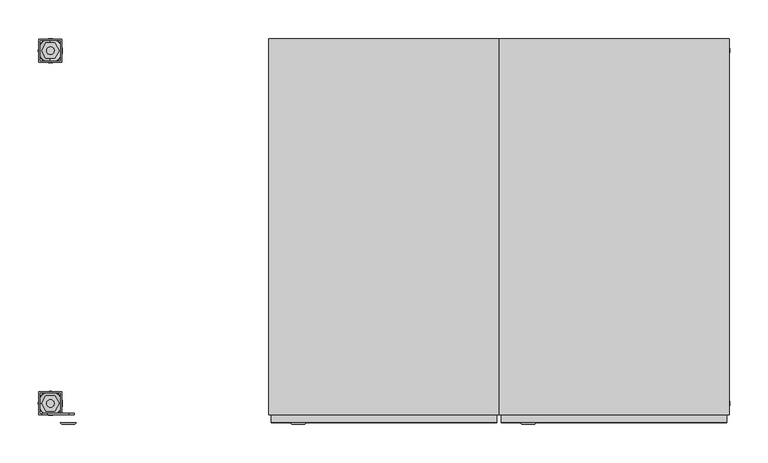
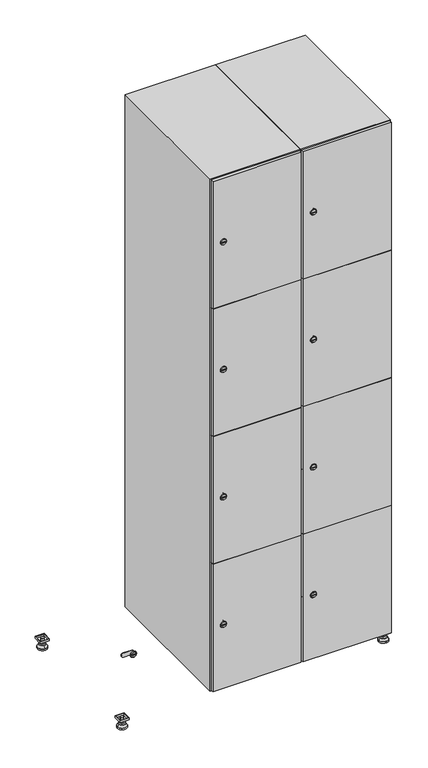
"""IFC4 building model written with IfcOpenShell, lengths in millimetres: furniture geometry."""

from ifc_helpers import new_model, si_unit, point, frame, frame_2d, origin, origin_with_axes, place, context, project, spatial, polyline, circle_curve, trimmed, segment, composite_curve, outline, extrude, faceted_brep, source, transform, mapped, element, save
from ifc_brep_helpers import plane_surface, revolved_surface, advanced_brep


def furniture_39c8202d(model_context):
    return source(origin(), model_context, "Body", "SolidModel", [
        extrude(outline(polyline([(700.0, 245.0), (700.0, 215.0), (670.0, 215.0), (670.0, 245.0), (700.0, 245.0)]), holes=[polyline([(698.0, 243.0), (672.0, 243.0), (672.0, 217.0), (698.0, 217.0), (698.0, 243.0)])]), frame((0.0, 0.0, 28.5), z_axis=(0.0, 0.0, 1.0), x_axis=(1.0, 0.0, 0.0)), (0.0, 0.0, 1.0), 6.5),
        extrude(outline(polyline([(670.0, -245.0), (670.0, -215.0), (700.0, -215.0), (700.0, -245.0), (670.0, -245.0)]), holes=[polyline([(672.0, -243.0), (698.0, -243.0), (698.0, -217.0), (672.0, -217.0), (672.0, -243.0)])]), frame((0.0, 0.0, 28.5), z_axis=(0.0, 0.0, 1.0), x_axis=(1.0, 0.0, 0.0)), (0.0, 0.0, 1.0), 6.5),
        extrude(outline(polyline([(-170.0, 245.0), (-170.0, 215.0), (-200.0, 215.0), (-200.0, 245.0), (-170.0, 245.0)]), holes=[polyline([(-172.0, 243.0), (-198.0, 243.0), (-198.0, 217.0), (-172.0, 217.0), (-172.0, 243.0)])]), frame((0.0, 0.0, 28.5), z_axis=(0.0, 0.0, 1.0), x_axis=(1.0, 0.0, 0.0)), (0.0, 0.0, 1.0), 6.5),
        extrude(outline(polyline([(-170.0, -215.0), (-170.0, -245.0), (-200.0, -245.0), (-200.0, -215.0), (-170.0, -215.0)]), holes=[polyline([(-198.0, -243.0), (-172.0, -243.0), (-172.0, -217.0), (-198.0, -217.0), (-198.0, -243.0)])]), frame((0.0, 0.0, 28.5), z_axis=(0.0, 0.0, 1.0), x_axis=(1.0, 0.0, 0.0)), (0.0, 0.0, 1.0), 6.5),
        extrude(outline(composite_curve([segment(trimmed(circle_curve(frame_2d((-185.0, 230.0)), 5.0), [point((-180.0, 230.0))], [point((-190.0, 230.0))], False, "CARTESIAN"), True, "CONTINUOUS"), segment(trimmed(circle_curve(frame_2d((-185.0, 230.0)), 5.0), [point((-190.0, 230.0))], [point((-180.0, 230.0))], False, "CARTESIAN"), True, "CONTINUOUS")], self_intersect=False)), frame((0.0, 0.0, 19.6), z_axis=(0.0, 0.0, 1.0), x_axis=(1.0, 0.0, 0.0)), (0.0, 0.0, 1.0), 15.4),
        extrude(outline(composite_curve([segment(trimmed(circle_curve(frame_2d((-185.0, -230.0)), 5.0), [point((-180.0, -230.0))], [point((-190.0, -230.0))], False, "CARTESIAN"), True, "CONTINUOUS"), segment(trimmed(circle_curve(frame_2d((-185.0, -230.0)), 5.0), [point((-190.0, -230.0))], [point((-180.0, -230.0))], False, "CARTESIAN"), True, "CONTINUOUS")], self_intersect=False)), frame((0.0, 0.0, 19.6), z_axis=(0.0, 0.0, 1.0), x_axis=(1.0, 0.0, 0.0)), (0.0, 0.0, 1.0), 15.4),
        extrude(outline(composite_curve([segment(trimmed(circle_curve(frame_2d((685.0, 230.0)), 5.0), [point((690.0, 230.0))], [point((680.0, 230.0))], False, "CARTESIAN"), True, "CONTINUOUS"), segment(trimmed(circle_curve(frame_2d((685.0, 230.0)), 5.0), [point((680.0, 230.0))], [point((690.0, 230.0))], False, "CARTESIAN"), True, "CONTINUOUS")], self_intersect=False)), frame((0.0, 0.0, 19.6), z_axis=(0.0, 0.0, 1.0), x_axis=(1.0, 0.0, 0.0)), (0.0, 0.0, 1.0), 15.4),
        extrude(outline(polyline([(673.4529946, 230.0), (679.2264973, 240.0), (690.7735027, 240.0), (696.5470054, 230.0), (690.7735027, 220.0), (679.2264973, 220.0), (673.4529946, 230.0)])), frame((0.0, 0.0, 13.6), z_axis=(0.0, 0.0, 1.0), x_axis=(1.0, 0.0, 0.0)), (0.0, 0.0, 1.0), 6.0),
        extrude(outline(composite_curve([segment(trimmed(circle_curve(frame_2d((685.0, -230.0)), 5.0), [point((690.0, -230.0))], [point((680.0, -230.0))], False, "CARTESIAN"), True, "CONTINUOUS"), segment(trimmed(circle_curve(frame_2d((685.0, -230.0)), 5.0), [point((680.0, -230.0))], [point((690.0, -230.0))], False, "CARTESIAN"), True, "CONTINUOUS")], self_intersect=False)), frame((0.0, 0.0, 19.6), z_axis=(0.0, 0.0, 1.0), x_axis=(1.0, 0.0, 0.0)), (0.0, 0.0, 1.0), 15.4),
        extrude(outline(polyline([(673.4529946, -230.0), (679.2264973, -220.0), (690.7735027, -220.0), (696.5470054, -230.0), (690.7735027, -240.0), (679.2264973, -240.0), (673.4529946, -230.0)])), frame((0.0, 0.0, 13.6), z_axis=(0.0, 0.0, 1.0), x_axis=(1.0, 0.0, 0.0)), (0.0, 0.0, 1.0), 6.0),
        extrude(outline(composite_curve([segment(trimmed(circle_curve(frame_2d((685.0, 230.0)), 5.0), [point((690.0, 230.0))], [point((680.0, 230.0))], False, "CARTESIAN"), True, "CONTINUOUS"), segment(trimmed(circle_curve(frame_2d((685.0, 230.0)), 5.0), [point((680.0, 230.0))], [point((690.0, 230.0))], False, "CARTESIAN"), True, "CONTINUOUS")], self_intersect=False)), frame((0.0, 0.0, 12.1), z_axis=(0.0, 0.0, 1.0), x_axis=(1.0, 0.0, 0.0)), (0.0, 0.0, 1.0), 1.5),
        extrude(outline(composite_curve([segment(trimmed(circle_curve(frame_2d((685.0, -230.0)), 5.0), [point((690.0, -230.0))], [point((680.0, -230.0))], False, "CARTESIAN"), True, "CONTINUOUS"), segment(trimmed(circle_curve(frame_2d((685.0, -230.0)), 5.0), [point((680.0, -230.0))], [point((690.0, -230.0))], False, "CARTESIAN"), True, "CONTINUOUS")], self_intersect=False)), frame((0.0, 0.0, 12.1), z_axis=(0.0, 0.0, 1.0), x_axis=(1.0, 0.0, 0.0)), (0.0, 0.0, 1.0), 1.5),
        extrude(outline(polyline([(-196.5470054, 230.0), (-190.7735027, 240.0), (-179.2264973, 240.0), (-173.4529946, 230.0), (-179.2264973, 220.0), (-190.7735027, 220.0), (-196.5470054, 230.0)])), frame((0.0, 0.0, 13.6), z_axis=(0.0, 0.0, 1.0), x_axis=(1.0, 0.0, 0.0)), (0.0, 0.0, 1.0), 6.0),
        extrude(outline(polyline([(-196.5470054, -230.0), (-190.7735027, -220.0), (-179.2264973, -220.0), (-173.4529946, -230.0), (-179.2264973, -240.0), (-190.7735027, -240.0), (-196.5470054, -230.0)])), frame((0.0, 0.0, 13.6), z_axis=(0.0, 0.0, 1.0), x_axis=(1.0, 0.0, 0.0)), (0.0, 0.0, 1.0), 6.0),
        extrude(outline(composite_curve([segment(trimmed(circle_curve(frame_2d((-185.0, 230.0)), 5.0), [point((-185.0, 235.0))], [point((-185.0, 225.0))], False, "CARTESIAN"), True, "CONTINUOUS"), segment(trimmed(circle_curve(frame_2d((-185.0, 230.0)), 5.0), [point((-185.0, 225.0))], [point((-185.0, 235.0))], False, "CARTESIAN"), True, "CONTINUOUS")], self_intersect=False)), frame((0.0, 0.0, 12.1), z_axis=(0.0, 0.0, 1.0), x_axis=(1.0, 0.0, 0.0)), (0.0, 0.0, 1.0), 1.5),
        extrude(outline(composite_curve([segment(trimmed(circle_curve(frame_2d((-185.0, -230.0)), 5.0), [point((-180.0, -230.0))], [point((-190.0, -230.0))], False, "CARTESIAN"), True, "CONTINUOUS"), segment(trimmed(circle_curve(frame_2d((-185.0, -230.0)), 5.0), [point((-190.0, -230.0))], [point((-180.0, -230.0))], False, "CARTESIAN"), True, "CONTINUOUS")], self_intersect=False)), frame((0.0, 0.0, 12.1), z_axis=(0.0, 0.0, 1.0), x_axis=(1.0, 0.0, 0.0)), (0.0, 0.0, 1.0), 1.5),
        extrude(outline(composite_curve([segment(trimmed(circle_curve(frame_2d((685.0, 230.0)), 15.75), [point((700.75, 230.0))], [point((669.25, 230.0))], False, "CARTESIAN"), True, "CONTINUOUS"), segment(trimmed(circle_curve(frame_2d((685.0, 230.0)), 15.75), [point((669.25, 230.0))], [point((700.75, 230.0))], False, "CARTESIAN"), True, "CONTINUOUS")], self_intersect=False)), origin_with_axes(), (0.0, 0.0, 1.0), 5.1),
        extrude(outline(composite_curve([segment(trimmed(circle_curve(frame_2d((685.0, -230.0)), 15.75), [point((685.0, -214.25))], [point((685.0, -245.75))], False, "CARTESIAN"), True, "CONTINUOUS"), segment(trimmed(circle_curve(frame_2d((685.0, -230.0)), 15.75), [point((685.0, -245.75))], [point((685.0, -214.25))], False, "CARTESIAN"), True, "CONTINUOUS")], self_intersect=False)), origin_with_axes(), (0.0, 0.0, 1.0), 5.1),
        extrude(outline(composite_curve([segment(trimmed(circle_curve(frame_2d((-185.0, -230.0)), 15.75), [point((-169.25, -230.0))], [point((-200.75, -230.0))], False, "CARTESIAN"), True, "CONTINUOUS"), segment(trimmed(circle_curve(frame_2d((-185.0, -230.0)), 15.75), [point((-200.75, -230.0))], [point((-169.25, -230.0))], False, "CARTESIAN"), True, "CONTINUOUS")], self_intersect=False)), origin_with_axes(), (0.0, 0.0, 1.0), 5.1),
        extrude(outline(composite_curve([segment(trimmed(circle_curve(frame_2d((-185.0, 230.0)), 15.75), [point((-169.25, 230.0))], [point((-200.75, 230.0))], False, "CARTESIAN"), True, "CONTINUOUS"), segment(trimmed(circle_curve(frame_2d((-185.0, 230.0)), 15.75), [point((-200.75, 230.0))], [point((-169.25, 230.0))], False, "CARTESIAN"), True, "CONTINUOUS")], self_intersect=False)), origin_with_axes(), (0.0, 0.0, 1.0), 5.1),
        advanced_brep(
        [(-185.0, 239.5, 12.1), (-185.0, 220.5, 12.1), (-185.0, 214.25, 5.1), (-185.0, 245.75, 5.1)],
        [
            (0, 1, circle_curve(frame((-185.0, 230.0, 12.1), z_axis=(0.0, 0.0, -1.0), x_axis=(0.0, 1.0, 0.0)), 9.5)),
            (1, 2),
            (2, 3, circle_curve(frame((-185.0, 230.0, 5.1), z_axis=(0.0, 0.0, 1.0), x_axis=(0.0, 1.0, 0.0)), 15.75)),
            (3, 0),
            (1, 0, circle_curve(frame((-185.0, 230.0, 12.1), z_axis=(0.0, 0.0, -1.0), x_axis=(0.0, -1.0, 0.0)), 9.5)),
            (3, 2, circle_curve(frame((-185.0, 230.0, 5.1), z_axis=(0.0, 0.0, 1.0), x_axis=(0.0, -1.0, 0.0)), 15.75)),
        ],
        [
            revolved_surface(polyline([(-185.0, 220.5, 12.099999999999998), (-185.0, 214.25, 5.099999999999998)]), (-185.0, 230.0, 22.74), (0.0, 0.0, -1.0)),
            revolved_surface(polyline([(-185.0, 239.5, 12.099999999999998), (-185.0, 245.75, 5.099999999999998)]), (-185.0, 230.0, 22.74), (0.0, 0.0, -1.0)),
            plane_surface(frame((-185.0, 230.0, 5.1), z_axis=(0.0, 0.0, -1.0), x_axis=(1.0, 0.0, 0.0))),
            plane_surface(frame((-185.0, 230.0, 12.1), z_axis=(0.0, 0.0, 1.0), x_axis=(1.0, 0.0, 0.0))),
        ],
        [
            (0, [[1, 2, 3, 4]]),
            (1, [[5, -4, 6, -2]]),
            (2, [[-3, -6]]),
            (3, [[-5, -1]]),
        ],
    ),
        advanced_brep(
        [(685.0, 239.5, 12.1), (685.0, 220.5, 12.1), (685.0, 214.25, 5.1), (685.0, 245.75, 5.1)],
        [
            (0, 1, circle_curve(frame((685.0, 230.0, 12.1), z_axis=(0.0, 0.0, -1.0), x_axis=(0.0, 1.0, 0.0)), 9.5)),
            (1, 2),
            (2, 3, circle_curve(frame((685.0, 230.0, 5.1), z_axis=(0.0, 0.0, 1.0), x_axis=(0.0, 1.0, 0.0)), 15.75)),
            (3, 0),
            (1, 0, circle_curve(frame((685.0, 230.0, 12.1), z_axis=(0.0, 0.0, -1.0), x_axis=(0.0, -1.0, 0.0)), 9.5)),
            (3, 2, circle_curve(frame((685.0, 230.0, 5.1), z_axis=(0.0, 0.0, 1.0), x_axis=(0.0, -1.0, 0.0)), 15.75)),
        ],
        [
            revolved_surface(polyline([(685.0, 220.5, 12.099999999999998), (685.0, 214.25, 5.099999999999998)]), (685.0, 230.0, 22.74), (0.0, 0.0, -1.0)),
            revolved_surface(polyline([(685.0, 239.5, 12.099999999999998), (685.0, 245.75, 5.099999999999998)]), (685.0, 230.0, 22.74), (0.0, 0.0, -1.0)),
            plane_surface(frame((685.0, 230.0, 5.1), z_axis=(0.0, 0.0, -1.0), x_axis=(1.0, 0.0, 0.0))),
            plane_surface(frame((685.0, 230.0, 12.1), z_axis=(0.0, 0.0, 1.0), x_axis=(1.0, 0.0, 0.0))),
        ],
        [
            (0, [[1, 2, 3, 4]]),
            (1, [[5, -4, 6, -2]]),
            (2, [[-3, -6]]),
            (3, [[-5, -1]]),
        ],
    ),
        advanced_brep(
        [(700.75, -230.0, 5.1), (669.25, -230.0, 5.1), (675.5, -230.0, 12.1), (694.5, -230.0, 12.1)],
        [
            (0, 1, circle_curve(frame((685.0, -230.0, 5.1), z_axis=(0.0, 0.0, 1.0), x_axis=(1.0, 0.0, 0.0)), 15.75)),
            (1, 2),
            (2, 3, circle_curve(frame((685.0, -230.0, 12.1), z_axis=(0.0, 0.0, -1.0), x_axis=(1.0, 0.0, 0.0)), 9.5)),
            (3, 0),
            (1, 0, circle_curve(frame((685.0, -230.0, 5.1), z_axis=(0.0, 0.0, 1.0), x_axis=(-1.0, 0.0, 0.0)), 15.75)),
            (3, 2, circle_curve(frame((685.0, -230.0, 12.1), z_axis=(0.0, 0.0, -1.0), x_axis=(-1.0, 0.0, 0.0)), 9.5)),
        ],
        [
            revolved_surface(polyline([(694.5, -230.0, 12.099999999999998), (700.75, -230.0, 5.099999999999998)]), (685.0, -230.0, 22.74), (0.0, 0.0, -1.0)),
            revolved_surface(polyline([(675.5, -230.0, 12.099999999999998), (669.25, -230.0, 5.099999999999998)]), (685.0, -230.0, 22.74), (0.0, 0.0, -1.0)),
            plane_surface(frame((685.0, -230.0, 12.1), z_axis=(0.0, 0.0, 1.0), x_axis=(0.0, 1.0, 0.0))),
            plane_surface(frame((685.0, -230.0, 5.1), z_axis=(0.0, 0.0, -1.0), x_axis=(0.0, 1.0, 0.0))),
        ],
        [
            (0, [[1, 2, 3, 4]]),
            (1, [[5, -4, 6, -2]]),
            (2, [[-3, -6]]),
            (3, [[-5, -1]]),
        ],
    ),
        advanced_brep(
        [(-169.25, -230.0, 5.1), (-200.75, -230.0, 5.1), (-194.5, -230.0, 12.1), (-175.5, -230.0, 12.1)],
        [
            (0, 1, circle_curve(frame((-185.0, -230.0, 5.1), z_axis=(0.0, 0.0, 1.0), x_axis=(1.0, 0.0, 0.0)), 15.75)),
            (1, 2),
            (2, 3, circle_curve(frame((-185.0, -230.0, 12.1), z_axis=(0.0, 0.0, -1.0), x_axis=(1.0, 0.0, 0.0)), 9.5)),
            (3, 0),
            (1, 0, circle_curve(frame((-185.0, -230.0, 5.1), z_axis=(0.0, 0.0, 1.0), x_axis=(-1.0, 0.0, 0.0)), 15.75)),
            (3, 2, circle_curve(frame((-185.0, -230.0, 12.1), z_axis=(0.0, 0.0, -1.0), x_axis=(-1.0, 0.0, 0.0)), 9.5)),
        ],
        [
            revolved_surface(polyline([(-175.5, -230.0, 12.099999999999998), (-169.25, -230.0, 5.099999999999998)]), (-185.0, -230.0, 22.74), (0.0, 0.0, -1.0)),
            revolved_surface(polyline([(-194.5, -230.0, 12.099999999999998), (-200.75, -230.0, 5.099999999999998)]), (-185.0, -230.0, 22.74), (0.0, 0.0, -1.0)),
            plane_surface(frame((-185.0, -230.0, 12.1), z_axis=(0.0, 0.0, 1.0), x_axis=(0.0, 1.0, 0.0))),
            plane_surface(frame((-185.0, -230.0, 5.1), z_axis=(0.0, 0.0, -1.0), x_axis=(0.0, 1.0, 0.0))),
        ],
        [
            (0, [[1, 2, 3, 4]]),
            (1, [[5, -4, 6, -2]]),
            (2, [[-3, -6]]),
            (3, [[-5, -1]]),
        ],
    ),
        extrude(outline(composite_curve([segment(trimmed(circle_curve(frame_2d((262.25, 411.2010534)), 7.0), [point((269.25, 411.2010534))], [point((255.25, 411.2010534))], False, "CARTESIAN"), True, "CONTINUOUS"), segment(polyline([(255.25, 411.2010534), (255.25, 439.2010534)]), True, "CONTINUOUS"), segment(trimmed(circle_curve(frame_2d((262.25, 439.2010534)), 7.0), [point((255.25, 439.2010534))], [point((269.25, 439.2010534))], False, "CARTESIAN"), True, "CONTINUOUS"), segment(polyline([(269.25, 439.2010534), (269.25, 411.2010534)]), True, "CONTINUOUS")], self_intersect=False)), frame((0.0, -245.0, 0.0), z_axis=(0.0, 1.0, 0.0), x_axis=(0.0, 0.0, 1.0)), (0.0, 0.0, 1.0), 2.0),
        advanced_brep(
        [(446.5, -257.2, 262.25), (429.5, -257.2, 262.25), (433.0, -257.2, 261.0), (433.0, -257.2, 263.5), (443.0, -257.2, 263.5), (443.0, -257.2, 261.0), (448.5, -255.0, 262.25), (427.5, -255.0, 262.25), (433.0, -255.0, 263.5), (433.0, -255.0, 261.0), (443.0, -255.0, 261.0), (443.0, -255.0, 263.5)],
        [
            (0, 1, circle_curve(frame((438.0, -257.2, 262.25), z_axis=(0.0, -1.0, 0.0), x_axis=(1.0, 0.0, 0.0)), 8.5)),
            (1, 0, circle_curve(frame((438.0, -257.2, 262.25), z_axis=(0.0, -1.0, 0.0), x_axis=(-1.0, 0.0, 0.0)), 8.5)),
            (2, 3),
            (3, 4),
            (4, 5),
            (5, 2),
            (6, 7, circle_curve(frame((438.0, -255.0, 262.25), z_axis=(0.0, 1.0, 0.0), x_axis=(-1.0, 0.0, 0.0)), 10.5)),
            (7, 6, circle_curve(frame((438.0, -255.0, 262.25), z_axis=(0.0, 1.0, 0.0), x_axis=(1.0, 0.0, 0.0)), 10.5)),
            (8, 9),
            (9, 10),
            (10, 11),
            (11, 8),
            (0, 6),
            (7, 1),
            (8, 3),
            (2, 9),
            (11, 4),
            (10, 5),
        ],
        [
            plane_surface(frame((438.0, -257.2, 262.25), z_axis=(0.0, -1.0, 0.0), x_axis=(0.0, 0.0, 1.0))),
            plane_surface(frame((438.0, -255.0, 262.25), z_axis=(0.0, 1.0, 0.0), x_axis=(0.0, 0.0, 1.0))),
            revolved_surface(polyline([(446.5, -257.2, 262.25), (448.5, -255.0, 262.25)]), (438.0, -266.55, 262.25), (0.0, 1.0, 0.0)),
            revolved_surface(polyline([(429.5, -257.2, 262.25), (427.5, -255.0, 262.25)]), (438.0, -266.55, 262.25), (0.0, 1.0, 0.0)),
            plane_surface(frame((433.0, -255.0, 261.0), z_axis=(1.0, 0.0, 0.0), x_axis=(0.0, -1.0, 0.0))),
            plane_surface(frame((433.0, -255.0, 263.5), z_axis=(0.0, 0.0, -1.0), x_axis=(0.0, -1.0, 0.0))),
            plane_surface(frame((443.0, -255.0, 263.5), z_axis=(-1.0, 0.0, 0.0), x_axis=(0.0, -1.0, 0.0))),
            plane_surface(frame((443.0, -255.0, 261.0), z_axis=(0.0, 0.0, 1.0), x_axis=(0.0, -1.0, 0.0))),
        ],
        [
            (0, [[1, 2], [3, 4, 5, 6]]),
            (1, [[7, 8], [9, 10, 11, 12]]),
            (2, [[-1, 13, -8, 14]]),
            (3, [[-2, -14, -7, -13]]),
            (4, [[15, -3, 16, -9]]),
            (5, [[-15, -12, 17, -4]]),
            (6, [[-17, -11, 18, -5]]),
            (7, [[-16, -6, -18, -10]]),
        ],
    ),
        extrude(outline(composite_curve([segment(trimmed(circle_curve(frame_2d((710.75, 411.2010534)), 7.0), [point((717.75, 411.2010534))], [point((703.75, 411.2010534))], False, "CARTESIAN"), True, "CONTINUOUS"), segment(polyline([(703.75, 411.2010534), (703.75, 439.2010534)]), True, "CONTINUOUS"), segment(trimmed(circle_curve(frame_2d((710.75, 439.2010534)), 7.0), [point((703.75, 439.2010534))], [point((717.75, 439.2010534))], False, "CARTESIAN"), True, "CONTINUOUS"), segment(polyline([(717.75, 439.2010534), (717.75, 411.2010534)]), True, "CONTINUOUS")], self_intersect=False)), frame((0.0, -245.0, 0.0), z_axis=(0.0, 1.0, 0.0), x_axis=(0.0, 0.0, 1.0)), (0.0, 0.0, 1.0), 2.0),
        advanced_brep(
        [(446.5, -257.2, 710.75), (429.5, -257.2, 710.75), (433.0, -257.2, 709.5), (433.0, -257.2, 712.0), (443.0, -257.2, 712.0), (443.0, -257.2, 709.5), (448.5, -255.0, 710.75), (427.5, -255.0, 710.75), (433.0, -255.0, 712.0), (433.0, -255.0, 709.5), (443.0, -255.0, 709.5), (443.0, -255.0, 712.0)],
        [
            (0, 1, circle_curve(frame((438.0, -257.2, 710.75), z_axis=(0.0, -1.0, 0.0), x_axis=(1.0, 0.0, 0.0)), 8.5)),
            (1, 0, circle_curve(frame((438.0, -257.2, 710.75), z_axis=(0.0, -1.0, 0.0), x_axis=(-1.0, 0.0, 0.0)), 8.5)),
            (2, 3),
            (3, 4),
            (4, 5),
            (5, 2),
            (6, 7, circle_curve(frame((438.0, -255.0, 710.75), z_axis=(0.0, 1.0, 0.0), x_axis=(-1.0, 0.0, 0.0)), 10.5)),
            (7, 6, circle_curve(frame((438.0, -255.0, 710.75), z_axis=(0.0, 1.0, 0.0), x_axis=(1.0, 0.0, 0.0)), 10.5)),
            (8, 9),
            (9, 10),
            (10, 11),
            (11, 8),
            (0, 6),
            (7, 1),
            (8, 3),
            (2, 9),
            (11, 4),
            (10, 5),
        ],
        [
            plane_surface(frame((438.0, -257.2, 710.75), z_axis=(0.0, -1.0, 0.0), x_axis=(0.0, 0.0, 1.0))),
            plane_surface(frame((438.0, -255.0, 710.75), z_axis=(0.0, 1.0, 0.0), x_axis=(0.0, 0.0, 1.0))),
            revolved_surface(polyline([(446.5, -257.2, 710.75), (448.5, -255.0, 710.75)]), (438.0, -266.55, 710.75), (0.0, 1.0, 0.0)),
            revolved_surface(polyline([(429.5, -257.2, 710.75), (427.5, -255.0, 710.75)]), (438.0, -266.55, 710.75), (0.0, 1.0, 0.0)),
            plane_surface(frame((433.0, -255.0, 709.5), z_axis=(1.0, 0.0, 0.0), x_axis=(0.0, -1.0, 0.0))),
            plane_surface(frame((433.0, -255.0, 712.0), z_axis=(0.0, 0.0, -1.0), x_axis=(0.0, -1.0, 0.0))),
            plane_surface(frame((443.0, -255.0, 712.0), z_axis=(-1.0, 0.0, 0.0), x_axis=(0.0, -1.0, 0.0))),
            plane_surface(frame((443.0, -255.0, 709.5), z_axis=(0.0, 0.0, 1.0), x_axis=(0.0, -1.0, 0.0))),
        ],
        [
            (0, [[1, 2], [3, 4, 5, 6]]),
            (1, [[7, 8], [9, 10, 11, 12]]),
            (2, [[-1, 13, -8, 14]]),
            (3, [[-2, -14, -7, -13]]),
            (4, [[15, -3, 16, -9]]),
            (5, [[-15, -12, 17, -4]]),
            (6, [[-17, -11, 18, -5]]),
            (7, [[-16, -6, -18, -10]]),
        ],
    ),
        extrude(outline(composite_curve([segment(trimmed(circle_curve(frame_2d((1159.25, 411.2010534)), 7.0), [point((1166.25, 411.2010534))], [point((1152.25, 411.2010534))], False, "CARTESIAN"), True, "CONTINUOUS"), segment(polyline([(1152.25, 411.2010534), (1152.25, 439.2010534)]), True, "CONTINUOUS"), segment(trimmed(circle_curve(frame_2d((1159.25, 439.2010534)), 7.0), [point((1152.25, 439.2010534))], [point((1166.25, 439.2010534))], False, "CARTESIAN"), True, "CONTINUOUS"), segment(polyline([(1166.25, 439.2010534), (1166.25, 411.2010534)]), True, "CONTINUOUS")], self_intersect=False)), frame((0.0, -245.0, 0.0), z_axis=(0.0, 1.0, 0.0), x_axis=(0.0, 0.0, 1.0)), (0.0, 0.0, 1.0), 2.0),
        advanced_brep(
        [(446.5, -257.2, 1159.25), (429.5, -257.2, 1159.25), (433.0, -257.2, 1158.0), (433.0, -257.2, 1160.5), (443.0, -257.2, 1160.5), (443.0, -257.2, 1158.0), (448.5, -255.0, 1159.25), (427.5, -255.0, 1159.25), (433.0, -255.0, 1160.5), (433.0, -255.0, 1158.0), (443.0, -255.0, 1158.0), (443.0, -255.0, 1160.5)],
        [
            (0, 1, circle_curve(frame((438.0, -257.2, 1159.25), z_axis=(0.0, -1.0, 0.0), x_axis=(1.0, 0.0, 0.0)), 8.5)),
            (1, 0, circle_curve(frame((438.0, -257.2, 1159.25), z_axis=(0.0, -1.0, 0.0), x_axis=(-1.0, 0.0, 0.0)), 8.5)),
            (2, 3),
            (3, 4),
            (4, 5),
            (5, 2),
            (6, 7, circle_curve(frame((438.0, -255.0, 1159.25), z_axis=(0.0, 1.0, 0.0), x_axis=(-1.0, 0.0, 0.0)), 10.5)),
            (7, 6, circle_curve(frame((438.0, -255.0, 1159.25), z_axis=(0.0, 1.0, 0.0), x_axis=(1.0, 0.0, 0.0)), 10.5)),
            (8, 9),
            (9, 10),
            (10, 11),
            (11, 8),
            (0, 6),
            (7, 1),
            (8, 3),
            (2, 9),
            (11, 4),
            (10, 5),
        ],
        [
            plane_surface(frame((438.0, -257.2, 1159.25), z_axis=(0.0, -1.0, 0.0), x_axis=(0.0, 0.0, 1.0))),
            plane_surface(frame((438.0, -255.0, 1159.25), z_axis=(0.0, 1.0, 0.0), x_axis=(0.0, 0.0, 1.0))),
            revolved_surface(polyline([(446.5, -257.2, 1159.25), (448.5, -255.0, 1159.25)]), (438.0, -266.55, 1159.25), (0.0, 1.0, 0.0)),
            revolved_surface(polyline([(429.5, -257.2, 1159.25), (427.5, -255.0, 1159.25)]), (438.0, -266.55, 1159.25), (0.0, 1.0, 0.0)),
            plane_surface(frame((433.0, -255.0, 1158.0), z_axis=(1.0, 0.0, 0.0), x_axis=(0.0, -1.0, 0.0))),
            plane_surface(frame((433.0, -255.0, 1160.5), z_axis=(0.0, 0.0, -1.0), x_axis=(0.0, -1.0, 0.0))),
            plane_surface(frame((443.0, -255.0, 1160.5), z_axis=(-1.0, 0.0, 0.0), x_axis=(0.0, -1.0, 0.0))),
            plane_surface(frame((443.0, -255.0, 1158.0), z_axis=(0.0, 0.0, 1.0), x_axis=(0.0, -1.0, 0.0))),
        ],
        [
            (0, [[1, 2], [3, 4, 5, 6]]),
            (1, [[7, 8], [9, 10, 11, 12]]),
            (2, [[-1, 13, -8, 14]]),
            (3, [[-2, -14, -7, -13]]),
            (4, [[15, -3, 16, -9]]),
            (5, [[-15, -12, 17, -4]]),
            (6, [[-17, -11, 18, -5]]),
            (7, [[-16, -6, -18, -10]]),
        ],
    ),
        extrude(outline(composite_curve([segment(trimmed(circle_curve(frame_2d((1607.75, 411.2010534)), 7.0), [point((1614.75, 411.2010534))], [point((1600.75, 411.2010534))], False, "CARTESIAN"), True, "CONTINUOUS"), segment(polyline([(1600.75, 411.2010534), (1600.75, 439.2010534)]), True, "CONTINUOUS"), segment(trimmed(circle_curve(frame_2d((1607.75, 439.2010534)), 7.0), [point((1600.75, 439.2010534))], [point((1614.75, 439.2010534))], False, "CARTESIAN"), True, "CONTINUOUS"), segment(polyline([(1614.75, 439.2010534), (1614.75, 411.2010534)]), True, "CONTINUOUS")], self_intersect=False)), frame((0.0, -245.0, 0.0), z_axis=(0.0, 1.0, 0.0), x_axis=(0.0, 0.0, 1.0)), (0.0, 0.0, 1.0), 2.0),
        advanced_brep(
        [(446.5, -257.2, 1607.75), (429.5, -257.2, 1607.75), (433.0, -257.2, 1606.5), (433.0, -257.2, 1609.0), (443.0, -257.2, 1609.0), (443.0, -257.2, 1606.5), (448.5, -255.0, 1607.75), (427.5, -255.0, 1607.75), (433.0, -255.0, 1609.0), (433.0, -255.0, 1606.5), (443.0, -255.0, 1606.5), (443.0, -255.0, 1609.0)],
        [
            (0, 1, circle_curve(frame((438.0, -257.2, 1607.75), z_axis=(0.0, -1.0, 0.0), x_axis=(1.0, 0.0, 0.0)), 8.5)),
            (1, 0, circle_curve(frame((438.0, -257.2, 1607.75), z_axis=(0.0, -1.0, 0.0), x_axis=(-1.0, 0.0, 0.0)), 8.5)),
            (2, 3),
            (3, 4),
            (4, 5),
            (5, 2),
            (6, 7, circle_curve(frame((438.0, -255.0, 1607.75), z_axis=(0.0, 1.0, 0.0), x_axis=(-1.0, 0.0, 0.0)), 10.5)),
            (7, 6, circle_curve(frame((438.0, -255.0, 1607.75), z_axis=(0.0, 1.0, 0.0), x_axis=(1.0, 0.0, 0.0)), 10.5)),
            (8, 9),
            (9, 10),
            (10, 11),
            (11, 8),
            (0, 6),
            (7, 1),
            (8, 3),
            (2, 9),
            (11, 4),
            (10, 5),
        ],
        [
            plane_surface(frame((438.0, -257.2, 1607.75), z_axis=(0.0, -1.0, 0.0), x_axis=(0.0, 0.0, 1.0))),
            plane_surface(frame((438.0, -255.0, 1607.75), z_axis=(0.0, 1.0, 0.0), x_axis=(0.0, 0.0, 1.0))),
            revolved_surface(polyline([(446.5, -257.2, 1607.75), (448.5, -255.0, 1607.75)]), (438.0, -266.55, 1607.75), (0.0, 1.0, 0.0)),
            revolved_surface(polyline([(429.5, -257.2, 1607.75), (427.5, -255.0, 1607.75)]), (438.0, -266.55, 1607.75), (0.0, 1.0, 0.0)),
            plane_surface(frame((433.0, -255.0, 1606.5), z_axis=(1.0, 0.0, 0.0), x_axis=(0.0, -1.0, 0.0))),
            plane_surface(frame((433.0, -255.0, 1609.0), z_axis=(0.0, 0.0, -1.0), x_axis=(0.0, -1.0, 0.0))),
            plane_surface(frame((443.0, -255.0, 1609.0), z_axis=(-1.0, 0.0, 0.0), x_axis=(0.0, -1.0, 0.0))),
            plane_surface(frame((443.0, -255.0, 1606.5), z_axis=(0.0, 0.0, 1.0), x_axis=(0.0, -1.0, 0.0))),
        ],
        [
            (0, [[1, 2], [3, 4, 5, 6]]),
            (1, [[7, 8], [9, 10, 11, 12]]),
            (2, [[-1, 13, -8, 14]]),
            (3, [[-2, -14, -7, -13]]),
            (4, [[15, -3, 16, -9]]),
            (5, [[-15, -12, 17, -4]]),
            (6, [[-17, -11, 18, -5]]),
            (7, [[-16, -6, -18, -10]]),
        ],
    ),
        extrude(outline(polyline([(697.0, -245.0), (697.0, -255.0), (403.0, -255.0), (403.0, -245.0), (697.0, -245.0)])), frame((0.0, 0.0, 486.0), z_axis=(0.0, 0.0, 1.0), x_axis=(1.0, 0.0, 0.0)), (0.0, 0.0, 1.0), 448.5),
        extrude(outline(polyline([(697.0, -245.0), (697.0, -255.0), (403.0, -255.0), (403.0, -245.0), (697.0, -245.0)])), frame((0.0, 0.0, 935.5), z_axis=(0.0, 0.0, 1.0), x_axis=(1.0, 0.0, 0.0)), (0.0, 0.0, 1.0), 447.5),
        extrude(outline(polyline([(403.0, -255.0), (403.0, -245.0), (697.0, -245.0), (697.0, -255.0), (403.0, -255.0)])), frame((0.0, 0.0, 1384.0), z_axis=(0.0, 0.0, 1.0), x_axis=(1.0, 0.0, 0.0)), (0.0, 0.0, 1.0), 448.0),
        extrude(outline(polyline([(697.0, -245.0), (697.0, -255.0), (403.0, -255.0), (403.0, -245.0), (697.0, -245.0)])), frame((0.0, 0.0, 38.0), z_axis=(0.0, 0.0, 1.0), x_axis=(1.0, 0.0, 0.0)), (0.0, 0.0, 1.0), 449.0),
        extrude(outline(polyline([(679.6, 242.0), (679.6, -235.0), (420.4, -235.0), (420.4, 242.0), (679.6, 242.0)])), frame((0.0, 0.0, 1359.7), z_axis=(0.0, 0.0, 1.0), x_axis=(1.0, 0.0, 0.0)), (0.0, 0.0, 1.0), 20.4),
        extrude(outline(polyline([(679.6, 242.0), (679.6, -235.0), (420.4, -235.0), (420.4, 242.0), (679.6, 242.0)])), frame((0.0, 0.0, 924.8), z_axis=(0.0, 0.0, 1.0), x_axis=(1.0, 0.0, 0.0)), (0.0, 0.0, 1.0), 20.4),
        extrude(outline(polyline([(679.6, 242.0), (679.6, -235.0), (420.4, -235.0), (420.4, 242.0), (679.6, 242.0)])), frame((0.0, 0.0, 489.9), z_axis=(0.0, 0.0, 1.0), x_axis=(1.0, 0.0, 0.0)), (0.0, 0.0, 1.0), 20.4),
        faceted_brep([(700.0, -245.0, 35.0), (700.0, -245.0, 1835.0), (400.0, -245.0, 1835.0), (400.0, -245.0, 35.0), (679.6, -245.0, 1804.8), (679.6, -245.0, 65.2), (420.4, -245.0, 65.2), (420.4, -245.0, 1804.8), (700.0, 245.0, 35.0), (400.0, 245.0, 35.0), (700.0, 245.0, 1835.0), (400.0, 245.0, 1835.0), (679.6, 242.0, 1804.8), (679.6, 242.0, 65.2), (400.0, 245.0, 1804.8), (420.4, 242.0, 1804.8), (420.4, 242.0, 65.2)], [[[0, 1, 2, 3], [4, 5, 6, 7]], [[8, 0, 3, 9]], [[1, 0, 8, 10]], [[1, 10, 11, 2]], [[4, 12, 13, 5]], [[9, 3, 2, 11, 14]], [[10, 8, 9, 14, 11]], [[12, 15, 16, 13]], [[15, 7, 6, 16]], [[4, 7, 15, 12]], [[6, 5, 13, 16]]]),
        extrude(outline(composite_curve([segment(trimmed(circle_curve(frame_2d((262.25, 111.2010534)), 7.0), [point((269.25, 111.2010534))], [point((255.25, 111.2010534))], False, "CARTESIAN"), True, "CONTINUOUS"), segment(polyline([(255.25, 111.2010534), (255.25, 139.2010534)]), True, "CONTINUOUS"), segment(trimmed(circle_curve(frame_2d((262.25, 139.2010534)), 7.0), [point((255.25, 139.2010534))], [point((269.25, 139.2010534))], False, "CARTESIAN"), True, "CONTINUOUS"), segment(polyline([(269.25, 139.2010534), (269.25, 111.2010534)]), True, "CONTINUOUS")], self_intersect=False)), frame((0.0, -245.0, 0.0), z_axis=(0.0, 1.0, 0.0), x_axis=(0.0, 0.0, 1.0)), (0.0, 0.0, 1.0), 2.0),
        advanced_brep(
        [(146.5, -257.2, 262.25), (129.5, -257.2, 262.25), (133.0, -257.2, 261.0), (133.0, -257.2, 263.5), (143.0, -257.2, 263.5), (143.0, -257.2, 261.0), (148.5, -255.0, 262.25), (127.5, -255.0, 262.25), (133.0, -255.0, 263.5), (133.0, -255.0, 261.0), (143.0, -255.0, 261.0), (143.0, -255.0, 263.5)],
        [
            (0, 1, circle_curve(frame((138.0, -257.2, 262.25), z_axis=(0.0, -1.0, 0.0), x_axis=(1.0, 0.0, 0.0)), 8.5)),
            (1, 0, circle_curve(frame((138.0, -257.2, 262.25), z_axis=(0.0, -1.0, 0.0), x_axis=(-1.0, 0.0, 0.0)), 8.5)),
            (2, 3),
            (3, 4),
            (4, 5),
            (5, 2),
            (6, 7, circle_curve(frame((138.0, -255.0, 262.25), z_axis=(0.0, 1.0, 0.0), x_axis=(-1.0, 0.0, 0.0)), 10.5)),
            (7, 6, circle_curve(frame((138.0, -255.0, 262.25), z_axis=(0.0, 1.0, 0.0), x_axis=(1.0, 0.0, 0.0)), 10.5)),
            (8, 9),
            (9, 10),
            (10, 11),
            (11, 8),
            (0, 6),
            (7, 1),
            (8, 3),
            (2, 9),
            (11, 4),
            (10, 5),
        ],
        [
            plane_surface(frame((138.0, -257.2, 262.25), z_axis=(0.0, -1.0, 0.0), x_axis=(0.0, 0.0, 1.0))),
            plane_surface(frame((138.0, -255.0, 262.25), z_axis=(0.0, 1.0, 0.0), x_axis=(0.0, 0.0, 1.0))),
            revolved_surface(polyline([(146.5, -257.2, 262.25), (148.5, -255.0, 262.25)]), (138.0, -266.55, 262.25), (0.0, 1.0, 0.0)),
            revolved_surface(polyline([(129.5, -257.2, 262.25), (127.5, -255.0, 262.25)]), (138.0, -266.55, 262.25), (0.0, 1.0, 0.0)),
            plane_surface(frame((133.0, -255.0, 261.0), z_axis=(1.0, 0.0, 0.0), x_axis=(0.0, -1.0, 0.0))),
            plane_surface(frame((133.0, -255.0, 263.5), z_axis=(0.0, 0.0, -1.0), x_axis=(0.0, -1.0, 0.0))),
            plane_surface(frame((143.0, -255.0, 263.5), z_axis=(-1.0, 0.0, 0.0), x_axis=(0.0, -1.0, 0.0))),
            plane_surface(frame((143.0, -255.0, 261.0), z_axis=(0.0, 0.0, 1.0), x_axis=(0.0, -1.0, 0.0))),
        ],
        [
            (0, [[1, 2], [3, 4, 5, 6]]),
            (1, [[7, 8], [9, 10, 11, 12]]),
            (2, [[-1, 13, -8, 14]]),
            (3, [[-2, -14, -7, -13]]),
            (4, [[15, -3, 16, -9]]),
            (5, [[-15, -12, 17, -4]]),
            (6, [[-17, -11, 18, -5]]),
            (7, [[-16, -6, -18, -10]]),
        ],
    ),
        extrude(outline(composite_curve([segment(trimmed(circle_curve(frame_2d((710.75, 111.2010534)), 7.0), [point((717.75, 111.2010534))], [point((703.75, 111.2010534))], False, "CARTESIAN"), True, "CONTINUOUS"), segment(polyline([(703.75, 111.2010534), (703.75, 139.2010534)]), True, "CONTINUOUS"), segment(trimmed(circle_curve(frame_2d((710.75, 139.2010534)), 7.0), [point((703.75, 139.2010534))], [point((717.75, 139.2010534))], False, "CARTESIAN"), True, "CONTINUOUS"), segment(polyline([(717.75, 139.2010534), (717.75, 111.2010534)]), True, "CONTINUOUS")], self_intersect=False)), frame((0.0, -245.0, 0.0), z_axis=(0.0, 1.0, 0.0), x_axis=(0.0, 0.0, 1.0)), (0.0, 0.0, 1.0), 2.0),
        advanced_brep(
        [(146.5, -257.2, 710.75), (129.5, -257.2, 710.75), (133.0, -257.2, 709.5), (133.0, -257.2, 712.0), (143.0, -257.2, 712.0), (143.0, -257.2, 709.5), (148.5, -255.0, 710.75), (127.5, -255.0, 710.75), (133.0, -255.0, 712.0), (133.0, -255.0, 709.5), (143.0, -255.0, 709.5), (143.0, -255.0, 712.0)],
        [
            (0, 1, circle_curve(frame((138.0, -257.2, 710.75), z_axis=(0.0, -1.0, 0.0), x_axis=(1.0, 0.0, 0.0)), 8.5)),
            (1, 0, circle_curve(frame((138.0, -257.2, 710.75), z_axis=(0.0, -1.0, 0.0), x_axis=(-1.0, 0.0, 0.0)), 8.5)),
            (2, 3),
            (3, 4),
            (4, 5),
            (5, 2),
            (6, 7, circle_curve(frame((138.0, -255.0, 710.75), z_axis=(0.0, 1.0, 0.0), x_axis=(-1.0, 0.0, 0.0)), 10.5)),
            (7, 6, circle_curve(frame((138.0, -255.0, 710.75), z_axis=(0.0, 1.0, 0.0), x_axis=(1.0, 0.0, 0.0)), 10.5)),
            (8, 9),
            (9, 10),
            (10, 11),
            (11, 8),
            (0, 6),
            (7, 1),
            (8, 3),
            (2, 9),
            (11, 4),
            (10, 5),
        ],
        [
            plane_surface(frame((138.0, -257.2, 710.75), z_axis=(0.0, -1.0, 0.0), x_axis=(0.0, 0.0, 1.0))),
            plane_surface(frame((138.0, -255.0, 710.75), z_axis=(0.0, 1.0, 0.0), x_axis=(0.0, 0.0, 1.0))),
            revolved_surface(polyline([(146.5, -257.2, 710.75), (148.5, -255.0, 710.75)]), (138.0, -266.55, 710.75), (0.0, 1.0, 0.0)),
            revolved_surface(polyline([(129.5, -257.2, 710.75), (127.5, -255.0, 710.75)]), (138.0, -266.55, 710.75), (0.0, 1.0, 0.0)),
            plane_surface(frame((133.0, -255.0, 709.5), z_axis=(1.0, 0.0, 0.0), x_axis=(0.0, -1.0, 0.0))),
            plane_surface(frame((133.0, -255.0, 712.0), z_axis=(0.0, 0.0, -1.0), x_axis=(0.0, -1.0, 0.0))),
            plane_surface(frame((143.0, -255.0, 712.0), z_axis=(-1.0, 0.0, 0.0), x_axis=(0.0, -1.0, 0.0))),
            plane_surface(frame((143.0, -255.0, 709.5), z_axis=(0.0, 0.0, 1.0), x_axis=(0.0, -1.0, 0.0))),
        ],
        [
            (0, [[1, 2], [3, 4, 5, 6]]),
            (1, [[7, 8], [9, 10, 11, 12]]),
            (2, [[-1, 13, -8, 14]]),
            (3, [[-2, -14, -7, -13]]),
            (4, [[15, -3, 16, -9]]),
            (5, [[-15, -12, 17, -4]]),
            (6, [[-17, -11, 18, -5]]),
            (7, [[-16, -6, -18, -10]]),
        ],
    ),
        extrude(outline(composite_curve([segment(trimmed(circle_curve(frame_2d((1159.25, 111.2010534)), 7.0), [point((1166.25, 111.2010534))], [point((1152.25, 111.2010534))], False, "CARTESIAN"), True, "CONTINUOUS"), segment(polyline([(1152.25, 111.2010534), (1152.25, 139.2010534)]), True, "CONTINUOUS"), segment(trimmed(circle_curve(frame_2d((1159.25, 139.2010534)), 7.0), [point((1152.25, 139.2010534))], [point((1166.25, 139.2010534))], False, "CARTESIAN"), True, "CONTINUOUS"), segment(polyline([(1166.25, 139.2010534), (1166.25, 111.2010534)]), True, "CONTINUOUS")], self_intersect=False)), frame((0.0, -245.0, 0.0), z_axis=(0.0, 1.0, 0.0), x_axis=(0.0, 0.0, 1.0)), (0.0, 0.0, 1.0), 2.0),
        advanced_brep(
        [(146.5, -257.2, 1159.25), (129.5, -257.2, 1159.25), (133.0, -257.2, 1158.0), (133.0, -257.2, 1160.5), (143.0, -257.2, 1160.5), (143.0, -257.2, 1158.0), (148.5, -255.0, 1159.25), (127.5, -255.0, 1159.25), (133.0, -255.0, 1160.5), (133.0, -255.0, 1158.0), (143.0, -255.0, 1158.0), (143.0, -255.0, 1160.5)],
        [
            (0, 1, circle_curve(frame((138.0, -257.2, 1159.25), z_axis=(0.0, -1.0, 0.0), x_axis=(1.0, 0.0, 0.0)), 8.5)),
            (1, 0, circle_curve(frame((138.0, -257.2, 1159.25), z_axis=(0.0, -1.0, 0.0), x_axis=(-1.0, 0.0, 0.0)), 8.5)),
            (2, 3),
            (3, 4),
            (4, 5),
            (5, 2),
            (6, 7, circle_curve(frame((138.0, -255.0, 1159.25), z_axis=(0.0, 1.0, 0.0), x_axis=(-1.0, 0.0, 0.0)), 10.5)),
            (7, 6, circle_curve(frame((138.0, -255.0, 1159.25), z_axis=(0.0, 1.0, 0.0), x_axis=(1.0, 0.0, 0.0)), 10.5)),
            (8, 9),
            (9, 10),
            (10, 11),
            (11, 8),
            (0, 6),
            (7, 1),
            (8, 3),
            (2, 9),
            (11, 4),
            (10, 5),
        ],
        [
            plane_surface(frame((138.0, -257.2, 1159.25), z_axis=(0.0, -1.0, 0.0), x_axis=(0.0, 0.0, 1.0))),
            plane_surface(frame((138.0, -255.0, 1159.25), z_axis=(0.0, 1.0, 0.0), x_axis=(0.0, 0.0, 1.0))),
            revolved_surface(polyline([(146.5, -257.2, 1159.25), (148.5, -255.0, 1159.25)]), (138.0, -266.55, 1159.25), (0.0, 1.0, 0.0)),
            revolved_surface(polyline([(129.5, -257.2, 1159.25), (127.5, -255.0, 1159.25)]), (138.0, -266.55, 1159.25), (0.0, 1.0, 0.0)),
            plane_surface(frame((133.0, -255.0, 1158.0), z_axis=(1.0, 0.0, 0.0), x_axis=(0.0, -1.0, 0.0))),
            plane_surface(frame((133.0, -255.0, 1160.5), z_axis=(0.0, 0.0, -1.0), x_axis=(0.0, -1.0, 0.0))),
            plane_surface(frame((143.0, -255.0, 1160.5), z_axis=(-1.0, 0.0, 0.0), x_axis=(0.0, -1.0, 0.0))),
            plane_surface(frame((143.0, -255.0, 1158.0), z_axis=(0.0, 0.0, 1.0), x_axis=(0.0, -1.0, 0.0))),
        ],
        [
            (0, [[1, 2], [3, 4, 5, 6]]),
            (1, [[7, 8], [9, 10, 11, 12]]),
            (2, [[-1, 13, -8, 14]]),
            (3, [[-2, -14, -7, -13]]),
            (4, [[15, -3, 16, -9]]),
            (5, [[-15, -12, 17, -4]]),
            (6, [[-17, -11, 18, -5]]),
            (7, [[-16, -6, -18, -10]]),
        ],
    ),
        extrude(outline(composite_curve([segment(trimmed(circle_curve(frame_2d((1607.75, 111.2010534)), 7.0), [point((1614.75, 111.2010534))], [point((1600.75, 111.2010534))], False, "CARTESIAN"), True, "CONTINUOUS"), segment(polyline([(1600.75, 111.2010534), (1600.75, 139.2010534)]), True, "CONTINUOUS"), segment(trimmed(circle_curve(frame_2d((1607.75, 139.2010534)), 7.0), [point((1600.75, 139.2010534))], [point((1614.75, 139.2010534))], False, "CARTESIAN"), True, "CONTINUOUS"), segment(polyline([(1614.75, 139.2010534), (1614.75, 111.2010534)]), True, "CONTINUOUS")], self_intersect=False)), frame((0.0, -245.0, 0.0), z_axis=(0.0, 1.0, 0.0), x_axis=(0.0, 0.0, 1.0)), (0.0, 0.0, 1.0), 2.0),
        advanced_brep(
        [(146.5, -257.2, 1607.75), (129.5, -257.2, 1607.75), (133.0, -257.2, 1606.5), (133.0, -257.2, 1609.0), (143.0, -257.2, 1609.0), (143.0, -257.2, 1606.5), (148.5, -255.0, 1607.75), (127.5, -255.0, 1607.75), (133.0, -255.0, 1609.0), (133.0, -255.0, 1606.5), (143.0, -255.0, 1606.5), (143.0, -255.0, 1609.0)],
        [
            (0, 1, circle_curve(frame((138.0, -257.2, 1607.75), z_axis=(0.0, -1.0, 0.0), x_axis=(1.0, 0.0, 0.0)), 8.5)),
            (1, 0, circle_curve(frame((138.0, -257.2, 1607.75), z_axis=(0.0, -1.0, 0.0), x_axis=(-1.0, 0.0, 0.0)), 8.5)),
            (2, 3),
            (3, 4),
            (4, 5),
            (5, 2),
            (6, 7, circle_curve(frame((138.0, -255.0, 1607.75), z_axis=(0.0, 1.0, 0.0), x_axis=(-1.0, 0.0, 0.0)), 10.5)),
            (7, 6, circle_curve(frame((138.0, -255.0, 1607.75), z_axis=(0.0, 1.0, 0.0), x_axis=(1.0, 0.0, 0.0)), 10.5)),
            (8, 9),
            (9, 10),
            (10, 11),
            (11, 8),
            (0, 6),
            (7, 1),
            (8, 3),
            (2, 9),
            (11, 4),
            (10, 5),
        ],
        [
            plane_surface(frame((138.0, -257.2, 1607.75), z_axis=(0.0, -1.0, 0.0), x_axis=(0.0, 0.0, 1.0))),
            plane_surface(frame((138.0, -255.0, 1607.75), z_axis=(0.0, 1.0, 0.0), x_axis=(0.0, 0.0, 1.0))),
            revolved_surface(polyline([(146.5, -257.2, 1607.75), (148.5, -255.0, 1607.75)]), (138.0, -266.55, 1607.75), (0.0, 1.0, 0.0)),
            revolved_surface(polyline([(129.5, -257.2, 1607.75), (127.5, -255.0, 1607.75)]), (138.0, -266.55, 1607.75), (0.0, 1.0, 0.0)),
            plane_surface(frame((133.0, -255.0, 1606.5), z_axis=(1.0, 0.0, 0.0), x_axis=(0.0, -1.0, 0.0))),
            plane_surface(frame((133.0, -255.0, 1609.0), z_axis=(0.0, 0.0, -1.0), x_axis=(0.0, -1.0, 0.0))),
            plane_surface(frame((143.0, -255.0, 1609.0), z_axis=(-1.0, 0.0, 0.0), x_axis=(0.0, -1.0, 0.0))),
            plane_surface(frame((143.0, -255.0, 1606.5), z_axis=(0.0, 0.0, 1.0), x_axis=(0.0, -1.0, 0.0))),
        ],
        [
            (0, [[1, 2], [3, 4, 5, 6]]),
            (1, [[7, 8], [9, 10, 11, 12]]),
            (2, [[-1, 13, -8, 14]]),
            (3, [[-2, -14, -7, -13]]),
            (4, [[15, -3, 16, -9]]),
            (5, [[-15, -12, 17, -4]]),
            (6, [[-17, -11, 18, -5]]),
            (7, [[-16, -6, -18, -10]]),
        ],
    ),
        extrude(outline(polyline([(397.0, -245.0), (397.0, -255.0), (103.0, -255.0), (103.0, -245.0), (397.0, -245.0)])), frame((0.0, 0.0, 486.0), z_axis=(0.0, 0.0, 1.0), x_axis=(1.0, 0.0, 0.0)), (0.0, 0.0, 1.0), 448.5),
        extrude(outline(polyline([(397.0, -245.0), (397.0, -255.0), (103.0, -255.0), (103.0, -245.0), (397.0, -245.0)])), frame((0.0, 0.0, 935.5), z_axis=(0.0, 0.0, 1.0), x_axis=(1.0, 0.0, 0.0)), (0.0, 0.0, 1.0), 447.5),
        extrude(outline(polyline([(103.0, -255.0), (103.0, -245.0), (397.0, -245.0), (397.0, -255.0), (103.0, -255.0)])), frame((0.0, 0.0, 1384.0), z_axis=(0.0, 0.0, 1.0), x_axis=(1.0, 0.0, 0.0)), (0.0, 0.0, 1.0), 448.0),
        extrude(outline(polyline([(397.0, -245.0), (397.0, -255.0), (103.0, -255.0), (103.0, -245.0), (397.0, -245.0)])), frame((0.0, 0.0, 38.0), z_axis=(0.0, 0.0, 1.0), x_axis=(1.0, 0.0, 0.0)), (0.0, 0.0, 1.0), 449.0),
        extrude(outline(polyline([(379.6, 242.0), (379.6, -235.0), (120.4, -235.0), (120.4, 242.0), (379.6, 242.0)])), frame((0.0, 0.0, 1359.7), z_axis=(0.0, 0.0, 1.0), x_axis=(1.0, 0.0, 0.0)), (0.0, 0.0, 1.0), 20.4),
        extrude(outline(polyline([(379.6, 242.0), (379.6, -235.0), (120.4, -235.0), (120.4, 242.0), (379.6, 242.0)])), frame((0.0, 0.0, 924.8), z_axis=(0.0, 0.0, 1.0), x_axis=(1.0, 0.0, 0.0)), (0.0, 0.0, 1.0), 20.4),
        extrude(outline(polyline([(379.6, 242.0), (379.6, -235.0), (120.4, -235.0), (120.4, 242.0), (379.6, 242.0)])), frame((0.0, 0.0, 489.9), z_axis=(0.0, 0.0, 1.0), x_axis=(1.0, 0.0, 0.0)), (0.0, 0.0, 1.0), 20.4),
        faceted_brep([(400.0, -245.0, 35.0), (400.0, -245.0, 1835.0), (100.0, -245.0, 1835.0), (100.0, -245.0, 35.0), (379.6, -245.0, 1804.8), (379.6, -245.0, 65.2), (120.4, -245.0, 65.2), (120.4, -245.0, 1804.8), (400.0, 245.0, 35.0), (100.0, 245.0, 35.0), (400.0, 245.0, 1835.0), (100.0, 245.0, 1835.0), (379.6, 242.0, 1804.8), (379.6, 242.0, 65.2), (100.0, 245.0, 1804.8), (120.4, 242.0, 1804.8), (120.4, 242.0, 65.2)], [[[0, 1, 2, 3], [4, 5, 6, 7]], [[8, 0, 3, 9]], [[1, 0, 8, 10]], [[1, 10, 11, 2]], [[4, 12, 13, 5]], [[9, 3, 2, 11, 14]], [[10, 8, 9, 14, 11]], [[12, 15, 16, 13]], [[15, 7, 6, 16]], [[4, 7, 15, 12]], [[6, 5, 13, 16]]]),
        extrude(outline(composite_curve([segment(trimmed(circle_curve(frame_2d((262.25, -188.7989466)), 7.0), [point((269.25, -188.7989466))], [point((255.25, -188.7989466))], False, "CARTESIAN"), True, "CONTINUOUS"), segment(polyline([(255.25, -188.7989466), (255.25, -160.7989466)]), True, "CONTINUOUS"), segment(trimmed(circle_curve(frame_2d((262.25, -160.7989466)), 7.0), [point((255.25, -160.7989466))], [point((269.25, -160.7989466))], False, "CARTESIAN"), True, "CONTINUOUS"), segment(polyline([(269.25, -160.7989466), (269.25, -188.7989466)]), True, "CONTINUOUS")], self_intersect=False)), frame((0.0, -245.0, 0.0), z_axis=(0.0, 1.0, 0.0), x_axis=(0.0, 0.0, 1.0)), (0.0, 0.0, 1.0), 2.0),
        advanced_brep(
        [(-153.5, -257.2, 262.25), (-170.5, -257.2, 262.25), (-167.0, -257.2, 261.0), (-167.0, -257.2, 263.5), (-157.0, -257.2, 263.5), (-157.0, -257.2, 261.0), (-151.5, -255.0, 262.25), (-172.5, -255.0, 262.25), (-167.0, -255.0, 263.5), (-167.0, -255.0, 261.0), (-157.0, -255.0, 261.0), (-157.0, -255.0, 263.5)],
        [
            (0, 1, circle_curve(frame((-162.0, -257.2, 262.25), z_axis=(0.0, -1.0, 0.0), x_axis=(1.0, 0.0, 0.0)), 8.5)),
            (1, 0, circle_curve(frame((-162.0, -257.2, 262.25), z_axis=(0.0, -1.0, 0.0), x_axis=(-1.0, 0.0, 0.0)), 8.5)),
            (2, 3),
            (3, 4),
            (4, 5),
            (5, 2),
            (6, 7, circle_curve(frame((-162.0, -255.0, 262.25), z_axis=(0.0, 1.0, 0.0), x_axis=(-1.0, 0.0, 0.0)), 10.5)),
            (7, 6, circle_curve(frame((-162.0, -255.0, 262.25), z_axis=(0.0, 1.0, 0.0), x_axis=(1.0, 0.0, 0.0)), 10.5)),
            (8, 9),
            (9, 10),
            (10, 11),
            (11, 8),
            (0, 6),
            (7, 1),
            (8, 3),
            (2, 9),
            (11, 4),
            (10, 5),
        ],
        [
            plane_surface(frame((-162.0, -257.2, 262.25), z_axis=(0.0, -1.0, 0.0), x_axis=(0.0, 0.0, 1.0))),
            plane_surface(frame((-162.0, -255.0, 262.25), z_axis=(0.0, 1.0, 0.0), x_axis=(0.0, 0.0, 1.0))),
            revolved_surface(polyline([(-153.5, -257.2, 262.25), (-151.5, -255.0, 262.25)]), (-162.0, -266.55, 262.25), (0.0, 1.0, 0.0)),
            revolved_surface(polyline([(-170.5, -257.2, 262.25), (-172.5, -255.0, 262.25)]), (-162.0, -266.55, 262.25), (0.0, 1.0, 0.0)),
            plane_surface(frame((-167.0, -255.0, 261.0), z_axis=(1.0, 0.0, 0.0), x_axis=(0.0, -1.0, 0.0))),
            plane_surface(frame((-167.0, -255.0, 263.5), z_axis=(0.0, 0.0, -1.0), x_axis=(0.0, -1.0, 0.0))),
            plane_surface(frame((-157.0, -255.0, 263.5), z_axis=(-1.0, 0.0, 0.0), x_axis=(0.0, -1.0, 0.0))),
            plane_surface(frame((-157.0, -255.0, 261.0), z_axis=(0.0, 0.0, 1.0), x_axis=(0.0, -1.0, 0.0))),
        ],
        [
            (0, [[1, 2], [3, 4, 5, 6]]),
            (1, [[7, 8], [9, 10, 11, 12]]),
            (2, [[-1, 13, -8, 14]]),
            (3, [[-2, -14, -7, -13]]),
            (4, [[15, -3, 16, -9]]),
            (5, [[-15, -12, 17, -4]]),
            (6, [[-17, -11, 18, -5]]),
            (7, [[-16, -6, -18, -10]]),
        ],
    ),
    ])


if __name__ == "__main__":
    model = new_model("IFC4")
    model_context = context("Model", 3, world=origin())
    ifc_project = project(units=[si_unit("LENGTHUNIT", "METRE", prefix="MILLI")], contexts=[model_context])
    site = spatial("IfcSite", under=ifc_project)
    building = spatial("IfcBuilding", under=site)
    placement = place(None, origin())
    furniture_shape = furniture_39c8202d(model_context)
    element("IfcFurniture", 1, at=placement, inside=building, context=model_context, shape_type="MappedRepresentation", body=[
        mapped(furniture_shape, transform((0.0, 0.0, 0.0), x_axis=(1.0, 0.0, 0.0), y_axis=(0.0, 1.0, 0.0), z_axis=(0.0, 0.0, 1.0))),
    ])
    save(model, "model.ifc")
